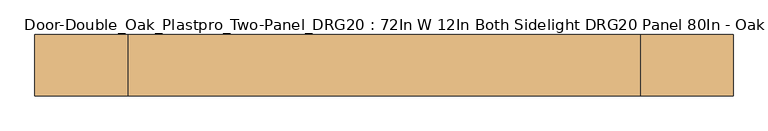
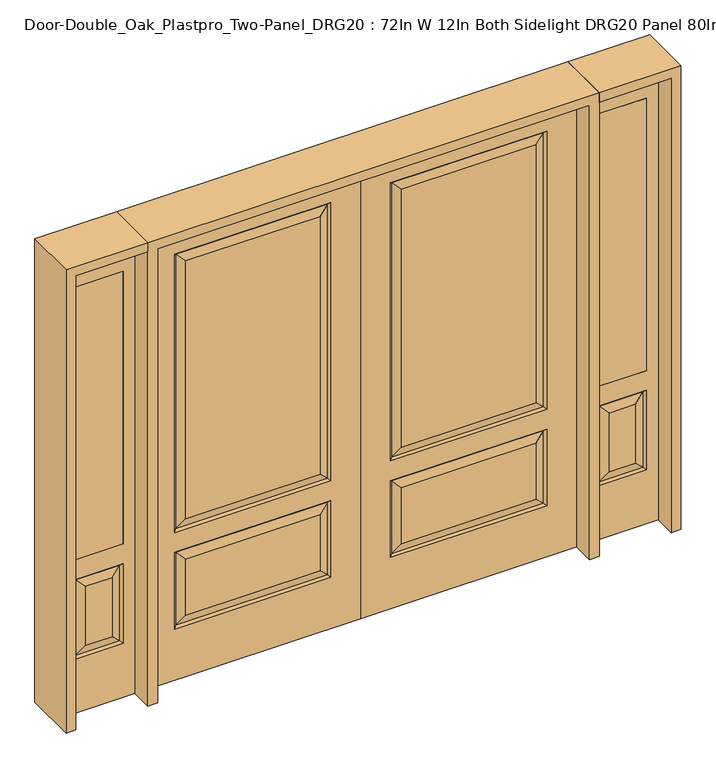
"""IFC4 building model written with IfcOpenShell, lengths in millimetres: door geometry, Door-Double_Oak_Plastpro_Two-Panel_DRG20 : 72In W 12In Both Sidelight DRG20 Panel 80In - Oak."""

from ifc_helpers import new_model, si_unit, frame, origin, place, context, project, spatial, polyline, outline, extrude, faceted_brep, source, transform, mapped, element, save


def door_double_oak_plastpro_two_panel_drg20_72in_w_12in_both_9c1cc37d(model_context):
    return source(origin(), model_context, "Body", "SolidModel", [
        faceted_brep([(-914.4, 20.6375, 0.0), (0.0, 20.6375, 0.0), (0.0, -20.6375, 0.0), (-914.4, -20.6375, 0.0), (-914.4, 20.6375, 2032.0), (-914.4, -20.6375, 2032.0), (0.0, -20.6375, 2032.0), (-787.4, -20.6375, 660.4), (-787.4, -20.6375, 1905.0), (-127.0, -20.6375, 1905.0), (-127.0, -20.6375, 660.4), (-787.4, -20.6375, 228.6), (-787.4, -20.6375, 571.5), (-127.0, -20.6375, 571.5), (-127.0, -20.6375, 228.6), (-173.0375, -20.6375, 706.4375), (-173.0375, -20.6375, 1858.9625), (-741.3625, -20.6375, 1858.9625), (-741.3625, -20.6375, 706.4375), (-173.0375, -20.6375, 274.6375), (-173.0375, -20.6375, 525.4625), (-741.3625, -20.6375, 525.4625), (-741.3625, -20.6375, 274.6375), (0.0, 20.6375, 2032.0), (-787.4, 20.6375, 571.5), (-787.4, 20.6375, 228.6), (-127.0, 20.6375, 228.6), (-127.0, 20.6375, 571.5), (-787.4, 20.6375, 1905.0), (-787.4, 20.6375, 660.4), (-127.0, 20.6375, 660.4), (-127.0, 20.6375, 1905.0), (-173.0375, 20.6375, 525.4625), (-173.0375, 20.6375, 274.6375), (-741.3625, 20.6375, 274.6375), (-741.3625, 20.6375, 525.4625), (-173.0375, 20.6375, 1858.9625), (-173.0375, 20.6375, 706.4375), (-741.3625, 20.6375, 706.4375), (-741.3625, 20.6375, 1858.9625), (-135.9802561, 11.6572439, 669.3802561), (-135.9802561, 11.6572439, 1896.0197439), (-778.4197439, 11.6572439, 669.3802561), (-778.4197439, 11.6572439, 1896.0197439), (-778.4197439, 11.6572439, 562.5197439), (-135.9802561, 11.6572439, 562.5197439), (-135.9802561, 11.6572439, 237.5802561), (-778.4197439, 11.6572439, 237.5802561), (-778.4197439, -11.6572439, 669.3802561), (-135.9802561, -11.6572439, 669.3802561), (-135.9802561, -11.6572439, 1896.0197439), (-778.4197439, -11.6572439, 1896.0197439), (-778.4197439, -11.6572439, 237.5802561), (-135.9802561, -11.6572439, 237.5802561), (-135.9802561, -11.6572439, 562.5197439), (-778.4197439, -11.6572439, 562.5197439)], [[[0, 1, 2, 3]], [[4, 0, 3, 5]], [[5, 3, 2, 6], [7, 8, 9, 10], [11, 12, 13, 14]], [[15, 16, 17, 18]], [[19, 20, 21, 22]], [[6, 2, 1, 23]], [[23, 1, 0, 4], [24, 25, 26, 27], [28, 29, 30, 31]], [[32, 33, 34, 35]], [[36, 37, 38, 39]], [[31, 30, 40, 41]], [[30, 29, 42, 40]], [[43, 42, 29, 28]], [[39, 38, 42, 43]], [[40, 42, 38, 37]], [[41, 40, 37, 36]], [[44, 24, 27, 45]], [[27, 26, 46, 45]], [[26, 25, 47, 46]], [[44, 47, 25, 24]], [[45, 32, 35, 44]], [[35, 34, 47, 44]], [[46, 47, 34, 33]], [[45, 46, 33, 32]], [[48, 7, 10, 49]], [[10, 9, 50, 49]], [[48, 51, 8, 7]], [[49, 15, 18, 48]], [[18, 17, 51, 48]], [[49, 50, 16, 15]], [[52, 11, 14, 53]], [[14, 13, 54, 53]], [[13, 12, 55, 54]], [[52, 55, 12, 11]], [[53, 19, 22, 52]], [[22, 21, 55, 52]], [[54, 55, 21, 20]], [[53, 54, 20, 19]], [[4, 5, 6, 23]], [[9, 8, 51, 50]], [[50, 51, 17, 16]], [[43, 28, 31, 41]], [[41, 36, 39, 43]]]),
        faceted_brep([(914.4, 20.6375, 0.0), (914.4, -20.6375, 0.0), (0.0, -20.6375, 0.0), (0.0, 20.6375, 0.0), (914.4, 20.6375, 2032.0), (914.4, -20.6375, 2032.0), (173.0375, -20.6375, 706.4375), (741.3625, -20.6375, 706.4375), (741.3625, -20.6375, 1858.9625), (173.0375, -20.6375, 1858.9625), (173.0375, -20.6375, 274.6375), (741.3625, -20.6375, 274.6375), (741.3625, -20.6375, 525.4625), (173.0375, -20.6375, 525.4625), (0.0, -20.6375, 2032.0), (787.4, -20.6375, 660.4), (127.0, -20.6375, 660.4), (127.0, -20.6375, 1905.0), (787.4, -20.6375, 1905.0), (787.4, -20.6375, 228.6), (127.0, -20.6375, 228.6), (127.0, -20.6375, 571.5), (787.4, -20.6375, 571.5), (0.0, 20.6375, 2032.0), (173.0375, 20.6375, 525.4625), (741.3625, 20.6375, 525.4625), (741.3625, 20.6375, 274.6375), (173.0375, 20.6375, 274.6375), (173.0375, 20.6375, 1858.9625), (741.3625, 20.6375, 1858.9625), (741.3625, 20.6375, 706.4375), (173.0375, 20.6375, 706.4375), (787.4, 20.6375, 571.5), (127.0, 20.6375, 571.5), (127.0, 20.6375, 228.6), (787.4, 20.6375, 228.6), (787.4, 20.6375, 1905.0), (127.0, 20.6375, 1905.0), (127.0, 20.6375, 660.4), (787.4, 20.6375, 660.4), (135.9802561, 11.6572439, 1896.0197439), (135.9802561, 11.6572439, 669.3802561), (778.4197439, 11.6572439, 669.3802561), (778.4197439, 11.6572439, 1896.0197439), (778.4197439, 11.6572439, 562.5197439), (135.9802561, 11.6572439, 562.5197439), (135.9802561, 11.6572439, 237.5802561), (778.4197439, 11.6572439, 237.5802561), (778.4197439, -11.6572439, 669.3802561), (135.9802561, -11.6572439, 669.3802561), (135.9802561, -11.6572439, 1896.0197439), (778.4197439, -11.6572439, 1896.0197439), (778.4197439, -11.6572439, 237.5802561), (135.9802561, -11.6572439, 237.5802561), (135.9802561, -11.6572439, 562.5197439), (778.4197439, -11.6572439, 562.5197439)], [[[0, 1, 2, 3]], [[4, 5, 1, 0]], [[6, 7, 8, 9]], [[10, 11, 12, 13]], [[5, 14, 2, 1], [15, 16, 17, 18], [19, 20, 21, 22]], [[14, 23, 3, 2]], [[24, 25, 26, 27]], [[28, 29, 30, 31]], [[23, 4, 0, 3], [32, 33, 34, 35], [36, 37, 38, 39]], [[37, 40, 41, 38]], [[38, 41, 42, 39]], [[43, 36, 39, 42]], [[29, 43, 42, 30]], [[41, 31, 30, 42]], [[40, 28, 31, 41]], [[44, 45, 33, 32]], [[33, 45, 46, 34]], [[34, 46, 47, 35]], [[44, 32, 35, 47]], [[45, 44, 25, 24]], [[25, 44, 47, 26]], [[46, 27, 26, 47]], [[45, 24, 27, 46]], [[48, 49, 16, 15]], [[16, 49, 50, 17]], [[48, 15, 18, 51]], [[49, 48, 7, 6]], [[7, 48, 51, 8]], [[49, 6, 9, 50]], [[52, 53, 20, 19]], [[20, 53, 54, 21]], [[21, 54, 55, 22]], [[52, 19, 22, 55]], [[53, 52, 11, 10]], [[11, 52, 55, 12]], [[54, 13, 12, 55]], [[53, 10, 13, 54]], [[4, 23, 14, 5]], [[17, 50, 51, 18]], [[50, 9, 8, 51]], [[43, 40, 37, 36]], [[40, 43, 29, 28]]]),
        extrude(outline(polyline([(1006.475, -20.6375), (1006.475, 20.6375), (1209.675, 20.6375), (1209.675, -20.6375), (1006.475, -20.6375)])), frame((0.0, 0.0, 685.8), z_axis=(0.0, 0.0, 1.0), x_axis=(1.0, 0.0, 0.0)), (0.0, 0.0, 1.0), 1219.2),
        faceted_brep([(1260.475, -20.6375, 0.0), (1260.475, -20.6375, 2032.0), (955.675, -20.6375, 2032.0), (955.675, -20.6375, 0.0), (1006.475, -20.6375, 685.8), (1006.475, -20.6375, 1905.0), (1209.675, -20.6375, 1905.0), (1209.675, -20.6375, 685.8), (1006.475, -20.6375, 241.3), (1006.475, -20.6375, 596.9), (1209.675, -20.6375, 596.9), (1209.675, -20.6375, 241.3), (1163.6375, -20.6375, 287.3375), (1163.6375, -20.6375, 550.8625), (1052.5125, -20.6375, 550.8625), (1052.5125, -20.6375, 287.3375), (955.675, 20.6375, 0.0), (1260.475, 20.6375, 0.0), (955.675, 20.6375, 2032.0), (1260.475, 20.6375, 2032.0), (1015.4552561, -11.6572439, 250.2802561), (1200.6947439, -11.6572439, 250.2802561), (1200.6947439, -11.6572439, 587.9197439), (1015.4552561, -11.6572439, 587.9197439), (1209.675, 20.6375, 685.8), (1006.475, 20.6375, 685.8), (1209.675, 20.6375, 1905.0), (1006.475, 20.6375, 1905.0), (1209.675, 20.6375, 241.3), (1209.675, 20.6375, 596.9), (1006.475, 20.6375, 596.9), (1006.475, 20.6375, 241.3), (1052.5125, 20.6375, 287.3375), (1052.5125, 20.6375, 550.8625), (1163.6375, 20.6375, 550.8625), (1163.6375, 20.6375, 287.3375), (1015.4552561, 11.6572439, 250.2802561), (1200.6947439, 11.6572439, 250.2802561), (1015.4552561, 11.6572439, 587.9197439), (1200.6947439, 11.6572439, 587.9197439)], [[[0, 1, 2, 3], [4, 5, 6, 7], [8, 9, 10, 11]], [[12, 13, 14, 15]], [[3, 16, 17, 0]], [[2, 18, 16, 3]], [[0, 17, 19, 1]], [[20, 8, 11, 21]], [[11, 10, 22, 21]], [[10, 9, 23, 22]], [[20, 23, 9, 8]], [[21, 12, 15, 20]], [[15, 14, 23, 20]], [[22, 23, 14, 13]], [[21, 22, 13, 12]], [[4, 7, 24, 25]], [[7, 6, 26, 24]], [[25, 27, 5, 4]], [[17, 16, 18, 19], [24, 26, 27, 25], [28, 29, 30, 31]], [[32, 33, 34, 35]], [[28, 31, 36, 37]], [[31, 30, 38, 36]], [[39, 38, 30, 29]], [[37, 39, 29, 28]], [[36, 32, 35, 37]], [[35, 34, 39, 37]], [[34, 33, 38, 39]], [[36, 38, 33, 32]], [[1, 19, 18, 2]], [[27, 26, 6, 5]]]),
        extrude(outline(polyline([(-1006.475, -20.6375), (-1209.675, -20.6375), (-1209.675, 20.6375), (-1006.475, 20.6375), (-1006.475, -20.6375)])), frame((0.0, 0.0, 685.8), z_axis=(0.0, 0.0, 1.0), x_axis=(1.0, 0.0, 0.0)), (0.0, 0.0, 1.0), 1219.2),
        faceted_brep([(-1260.475, -20.6375, 0.0), (-955.675, -20.6375, 0.0), (-955.675, -20.6375, 2032.0), (-1260.475, -20.6375, 2032.0), (-1006.475, -20.6375, 685.8), (-1209.675, -20.6375, 685.8), (-1209.675, -20.6375, 1905.0), (-1006.475, -20.6375, 1905.0), (-1006.475, -20.6375, 241.3), (-1209.675, -20.6375, 241.3), (-1209.675, -20.6375, 596.9), (-1006.475, -20.6375, 596.9), (-1163.6375, -20.6375, 287.3375), (-1052.5125, -20.6375, 287.3375), (-1052.5125, -20.6375, 550.8625), (-1163.6375, -20.6375, 550.8625), (-1260.475, 20.6375, 0.0), (-955.675, 20.6375, 0.0), (-955.675, 20.6375, 2032.0), (-1260.475, 20.6375, 2032.0), (-1015.4552561, -11.6572439, 250.2802561), (-1200.6947439, -11.6572439, 250.2802561), (-1200.6947439, -11.6572439, 587.9197439), (-1015.4552561, -11.6572439, 587.9197439), (-1006.475, 20.6375, 685.8), (-1209.675, 20.6375, 685.8), (-1209.675, 20.6375, 1905.0), (-1006.475, 20.6375, 1905.0), (-1209.675, 20.6375, 241.3), (-1006.475, 20.6375, 241.3), (-1006.475, 20.6375, 596.9), (-1209.675, 20.6375, 596.9), (-1052.5125, 20.6375, 287.3375), (-1163.6375, 20.6375, 287.3375), (-1163.6375, 20.6375, 550.8625), (-1052.5125, 20.6375, 550.8625), (-1200.6947439, 11.6572439, 250.2802561), (-1015.4552561, 11.6572439, 250.2802561), (-1015.4552561, 11.6572439, 587.9197439), (-1200.6947439, 11.6572439, 587.9197439)], [[[0, 1, 2, 3], [4, 5, 6, 7], [8, 9, 10, 11]], [[12, 13, 14, 15]], [[1, 0, 16, 17]], [[2, 1, 17, 18]], [[0, 3, 19, 16]], [[20, 21, 9, 8]], [[9, 21, 22, 10]], [[10, 22, 23, 11]], [[20, 8, 11, 23]], [[21, 20, 13, 12]], [[13, 20, 23, 14]], [[22, 15, 14, 23]], [[21, 12, 15, 22]], [[4, 24, 25, 5]], [[5, 25, 26, 6]], [[24, 4, 7, 27]], [[16, 19, 18, 17], [25, 24, 27, 26], [28, 29, 30, 31]], [[32, 33, 34, 35]], [[28, 36, 37, 29]], [[29, 37, 38, 30]], [[39, 31, 30, 38]], [[36, 28, 31, 39]], [[37, 36, 33, 32]], [[33, 36, 39, 34]], [[34, 39, 38, 35]], [[37, 32, 35, 38]], [[3, 2, 18, 19]], [[27, 7, 6, 26]]]),
        extrude(outline(polyline([(2032.0, -955.675), (2073.275, -955.675), (2073.275, -1301.75), (0.0, -1301.75), (0.0, -1260.475), (2032.0, -1260.475), (2032.0, -955.675)])), frame((0.0, -114.3, 0.0), z_axis=(0.0, 1.0, 0.0), x_axis=(0.0, 0.0, 1.0)), (0.0, 0.0, 1.0), 228.6),
        extrude(outline(polyline([(2073.275, -955.675), (0.0, -955.675), (0.0, -914.4), (2032.0, -914.4), (2032.0, 914.4), (0.0, 914.4), (0.0, 955.675), (2073.275, 955.675), (2073.275, -955.675)])), frame((0.0, -114.3, 0.0), z_axis=(0.0, 1.0, 0.0), x_axis=(0.0, 0.0, 1.0)), (0.0, 0.0, 1.0), 228.6),
        extrude(outline(polyline([(0.0, 1260.475), (0.0, 1301.75), (2073.275, 1301.75), (2073.275, 955.675), (2032.0, 955.675), (2032.0, 1260.475), (0.0, 1260.475)])), frame((0.0, -114.3, 0.0), z_axis=(0.0, 1.0, 0.0), x_axis=(0.0, 0.0, 1.0)), (0.0, 0.0, 1.0), 228.6),
    ])


if __name__ == "__main__":
    model = new_model("IFC4")
    model_context = context("Model", 3, world=origin())
    ifc_project = project(units=[si_unit("LENGTHUNIT", "METRE", prefix="MILLI")], contexts=[model_context])
    site = spatial("IfcSite", under=ifc_project)
    building = spatial("IfcBuilding", under=site)
    placement = place(None, origin())
    door_double_oak_plastpro_two_panel_drg20_72in_w_12in_both_shape = door_double_oak_plastpro_two_panel_drg20_72in_w_12in_both_9c1cc37d(model_context)
    element("IfcDoor", 1, ObjectType="Door-Double_Oak_Plastpro_Two-Panel_DRG20 : 72In W 12In Both Sidelight DRG20 Panel 80In - Oak", at=placement, inside=building, context=model_context, shape_type="MappedRepresentation", body=[
        mapped(door_double_oak_plastpro_two_panel_drg20_72in_w_12in_both_shape, transform((0.0, 0.0, 0.0), x_axis=(1.0, 0.0, 0.0), y_axis=(0.0, 1.0, 0.0), z_axis=(0.0, 0.0, 1.0))),
    ])
    save(model, "model.ifc")
